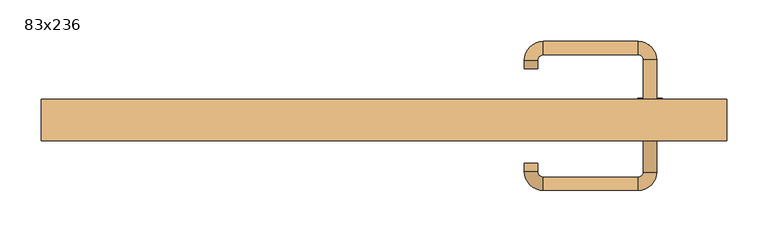
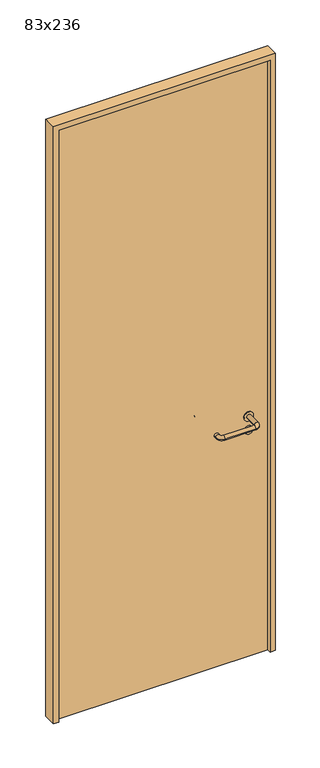
"""IFC4 building model written with IfcOpenShell, lengths in millimetres: door geometry, 83x236."""

from ifc_helpers import new_model, si_unit, point, frame, frame_2d, origin, origin_with_axes, place, context, project, spatial, polyline, circle_curve, ellipse_curve, trimmed, segment, composite_curve, outline, extrude, source, transform, mapped, element, save
from ifc_brep_helpers import plane_surface, cylinder_surface, revolved_surface, advanced_brep


def door_83x236_95d677b7(model_context):
    return source(origin(), model_context, "Body", "SolidModel", [
        extrude(outline(composite_curve([segment(trimmed(circle_curve(frame_2d((897.3605726, 322.0)), 15.0), [point((897.3605726, 337.0))], [point((897.3605726, 307.0))], False, "CARTESIAN"), True, "CONTINUOUS"), segment(trimmed(circle_curve(frame_2d((897.3605726, 322.0)), 15.0), [point((897.3605726, 307.0))], [point((897.3605726, 337.0))], False, "CARTESIAN"), True, "CONTINUOUS")], self_intersect=False), holes=[composite_curve([segment(trimmed(circle_curve(frame_2d((892.5833211, 321.9398032)), 2.0), [point((892.5833211, 323.9398032))], [point((892.5833211, 319.9398032))], True, "CARTESIAN"), True, "CONTINUOUS"), segment(polyline([(892.5833211, 319.9398032), (902.5833211, 319.9398032)]), True, "CONTINUOUS"), segment(trimmed(circle_curve(frame_2d((902.5833211, 321.9398032)), 2.0), [point((902.5833211, 319.9398032))], [point((902.5833211, 323.9398032))], True, "CARTESIAN"), True, "CONTINUOUS"), segment(polyline([(902.5833211, 323.9398032), (892.5833211, 323.9398032)]), True, "CONTINUOUS")], self_intersect=False)]), frame((0.0, 8.65, 0.0), z_axis=(0.0, 1.0, 0.0), x_axis=(0.0, 0.0, 1.0)), (0.0, 0.0, 1.0), 6.35),
        extrude(outline(composite_curve([segment(trimmed(circle_curve(frame_2d((950.0, 322.0)), 17.526), [point((950.0, 339.526))], [point((950.0, 304.474))], False, "CARTESIAN"), True, "CONTINUOUS"), segment(trimmed(circle_curve(frame_2d((950.0, 322.0)), 17.526), [point((950.0, 304.474))], [point((950.0, 339.526))], False, "CARTESIAN"), True, "CONTINUOUS")], self_intersect=False)), frame((0.0, 11.825, 0.0), z_axis=(0.0, 1.0, 0.0), x_axis=(0.0, 0.0, 1.0)), (0.0, 0.0, 1.0), 3.175),
        advanced_brep(
        [(330.0, 15.0, 950.0), (314.0, 15.0, 950.0), (314.0, -38.0, 950.0), (330.0, -38.0, 950.0), (307.8578644, -44.1421356, 950.0), (307.8578644, -60.1421356, 950.0), (192.8578644, -44.1421356, 950.0), (192.8578644, -60.1421356, 950.0), (186.008622, -37.2928932, 950.0), (170.008622, -37.2928932, 950.0), (170.008622, -27.2928932, 950.0), (186.008622, -27.2928932, 950.0)],
        [
            (0, 1, circle_curve(frame((322.0, 15.0, 950.0), z_axis=(0.0, 1.0, 0.0), x_axis=(-1.0, 0.0, 0.0)), 8.0)),
            (1, 0, circle_curve(frame((322.0, 15.0, 950.0), z_axis=(0.0, 1.0, 0.0), x_axis=(-1.0, 0.0, 0.0)), 8.0)),
            (1, 2),
            (2, 3, circle_curve(frame((322.0, -38.0, 950.0), z_axis=(0.0, 1.0, 0.0), x_axis=(-1.0, 0.0, 0.0)), 8.0)),
            (3, 0),
            (3, 2, circle_curve(frame((322.0, -38.0, 950.0), z_axis=(0.0, 1.0, 0.0), x_axis=(-1.0, 0.0, 0.0)), 8.0)),
            (4, 5, circle_curve(frame((307.8578644, -52.1421356, 950.0), z_axis=(1.0, 0.0, 0.0), x_axis=(0.0, 1.0, 0.0)), 8.0)),
            (5, 3, circle_curve(frame((307.8578644, -38.0, 950.0), z_axis=(0.0, 0.0, 1.0), x_axis=(1.0, 0.0, 0.0)), 22.1421356)),
            (2, 4, circle_curve(frame((307.8578644, -38.0, 950.0), z_axis=(0.0, 0.0, -1.0), x_axis=(1.0, 0.0, 0.0)), 6.1421356)),
            (5, 4, circle_curve(frame((307.8578644, -52.1421356, 950.0), z_axis=(1.0, 0.0, 0.0), x_axis=(0.0, 1.0, 0.0)), 8.0)),
            (4, 6),
            (6, 7, circle_curve(frame((192.8578644, -52.1421356, 950.0), z_axis=(1.0, 0.0, 0.0), x_axis=(0.0, 1.0, 0.0)), 8.0)),
            (7, 5),
            (7, 6, circle_curve(frame((192.8578644, -52.1421356, 950.0), z_axis=(1.0, 0.0, 0.0), x_axis=(0.0, 1.0, 0.0)), 8.0)),
            (8, 9, circle_curve(frame((178.008622, -37.2928932, 950.0), z_axis=(0.0, -1.0, 0.0), x_axis=(1.0, 0.0, 0.0)), 8.0)),
            (9, 7, circle_curve(frame((192.8578644, -37.2928932, 950.0), z_axis=(0.0, 0.0, 1.0), x_axis=(0.0, -1.0, 0.0)), 22.8492424)),
            (6, 8, circle_curve(frame((192.8578644, -37.2928932, 950.0), z_axis=(0.0, 0.0, -1.0), x_axis=(0.0, -1.0, 0.0)), 6.8492424)),
            (9, 8, circle_curve(frame((178.008622, -37.2928932, 950.0), z_axis=(0.0, -1.0, 0.0), x_axis=(1.0, 0.0, 0.0)), 8.0)),
            (10, 11, circle_curve(frame((178.008622, -27.2928932, 950.0), z_axis=(0.0, 1.0, 0.0), x_axis=(1.0, 0.0, 0.0)), 8.0)),
            (11, 10, circle_curve(frame((178.008622, -27.2928932, 950.0), z_axis=(0.0, 1.0, 0.0), x_axis=(1.0, 0.0, 0.0)), 8.0)),
            (8, 11),
            (10, 9),
        ],
        [
            plane_surface(frame((322.0, 15.0, 0.0), z_axis=(0.0, 1.0, 0.0), x_axis=(0.0, 0.0, 1.0))),
            cylinder_surface(frame((322.0, 15.0, 950.0), z_axis=(0.0, 1.0, 0.0), x_axis=(-1.0, 0.0, 0.0)), 8.0),
            revolved_surface(trimmed(ellipse_curve(frame((322.0, -38.0, 950.0), z_axis=(0.0, -1.0, 0.0), x_axis=(-1.0, 0.0, 0.0)), 8.0, 8.0), [point((330.0, -38.0, 950.0))], [point((314.0, -38.0, 950.0))], True, "CARTESIAN"), (307.8578644, -38.0, 0.0), (0.0, 0.0, 1.0)),
            revolved_surface(trimmed(ellipse_curve(frame((322.0, -38.0, 950.0), z_axis=(0.0, -1.0, 0.0), x_axis=(-1.0, 0.0, 0.0)), 8.0, 8.0), [point((314.0, -38.0, 950.0))], [point((330.0, -38.0, 950.0))], True, "CARTESIAN"), (307.8578644, -38.0, 0.0), (0.0, 0.0, 1.0)),
            cylinder_surface(frame((307.8578644, -52.1421356, 950.0), z_axis=(1.0, 0.0, 0.0), x_axis=(0.0, 1.0, 0.0)), 8.0),
            revolved_surface(trimmed(ellipse_curve(frame((192.8578644, -52.1421356, 950.0), z_axis=(-1.0, 0.0, 0.0), x_axis=(0.0, 1.0, 0.0)), 8.0, 8.0), [point((192.8578644, -60.1421356, 950.0))], [point((192.8578644, -44.1421356, 950.0))], True, "CARTESIAN"), (192.8578644, -37.2928932, 0.0), (0.0, 0.0, 1.0)),
            revolved_surface(trimmed(ellipse_curve(frame((192.8578644, -52.1421356, 950.0), z_axis=(-1.0, 0.0, 0.0), x_axis=(0.0, 1.0, 0.0)), 8.0, 8.0), [point((192.8578644, -44.1421356, 950.0))], [point((192.8578644, -60.1421356, 950.0))], True, "CARTESIAN"), (192.8578644, -37.2928932, 0.0), (0.0, 0.0, 1.0)),
            plane_surface(frame((178.008622, -27.2928932, 0.0), z_axis=(0.0, 1.0, 0.0), x_axis=(0.0, 0.0, 1.0))),
            cylinder_surface(frame((178.008622, -37.2928932, 950.0), z_axis=(0.0, -1.0, 0.0), x_axis=(1.0, 0.0, 0.0)), 8.0),
        ],
        [
            (0, [[1, 2]]),
            (1, [[3, 4, 5, -2]]),
            (1, [[-5, 6, -3, -1]]),
            (2, [[7, 8, -4, 9]]),
            (3, [[10, -9, -6, -8]]),
            (4, [[11, 12, 13, -7]]),
            (4, [[-13, 14, -11, -10]]),
            (5, [[15, 16, -12, 17]]),
            (6, [[18, -17, -14, -16]]),
            (7, [[19, 20]]),
            (8, [[21, -19, 22, -15]]),
            (8, [[-22, -20, -21, -18]]),
        ],
    ),
        extrude(outline(composite_curve([segment(trimmed(circle_curve(frame_2d((0.0, -15.0)), 15.0), [point((0.0, -30.0))], [point((0.0, 0.0))], False, "CARTESIAN"), True, "CONTINUOUS"), segment(trimmed(circle_curve(frame_2d((0.0, -15.0)), 15.0), [point((0.0, 0.0))], [point((0.0, -30.0))], False, "CARTESIAN"), True, "CONTINUOUS")], self_intersect=False), holes=[composite_curve([segment(trimmed(circle_curve(frame_2d((4.7772515, -14.9398032)), 2.0), [point((4.7772515, -16.9398032))], [point((4.7772515, -12.9398032))], True, "CARTESIAN"), True, "CONTINUOUS"), segment(polyline([(4.7772515, -12.9398032), (-5.2227485, -12.9398032)]), True, "CONTINUOUS"), segment(trimmed(circle_curve(frame_2d((-5.2227485, -14.9398032)), 2.0), [point((-5.2227485, -12.9398032))], [point((-5.2227485, -16.9398032))], True, "CARTESIAN"), True, "CONTINUOUS"), segment(polyline([(-5.2227485, -16.9398032), (4.7772515, -16.9398032)]), True, "CONTINUOUS")], self_intersect=False)]), frame((307.0, 45.0, 897.3605726), z_axis=(1.8870575173328306e-12, 1.0, 0.0), x_axis=(0.0, 0.0, -1.0)), (0.0, 0.0, 1.0), 6.35),
        extrude(outline(composite_curve([segment(trimmed(circle_curve(frame_2d((0.0, -17.526)), 17.526), [point((0.0, -35.052))], [point((0.0, 0.0))], False, "CARTESIAN"), True, "CONTINUOUS"), segment(trimmed(circle_curve(frame_2d((0.0, -17.526)), 17.526), [point((0.0, 0.0))], [point((0.0, -35.052))], False, "CARTESIAN"), True, "CONTINUOUS")], self_intersect=False)), frame((304.474, 45.0, 950.0), z_axis=(1.8870575173328306e-12, 1.0, 0.0), x_axis=(0.0, 0.0, -1.0)), (0.0, 0.0, 1.0), 3.175),
        advanced_brep(
        [(330.0, 45.0, 950.0), (314.0, 45.0, 950.0), (330.0, 98.0, 950.0), (314.0, 98.0, 950.0), (307.8578644, 104.1421356, 950.0), (307.8578644, 120.1421356, 950.0), (192.8578644, 120.1421356, 950.0), (192.8578644, 104.1421356, 950.0), (186.008622, 97.2928932, 950.0), (170.008622, 97.2928932, 950.0), (170.008622, 87.2928932, 950.0), (186.008622, 87.2928932, 950.0)],
        [
            (0, 1, circle_curve(frame((322.0, 45.0, 950.0), z_axis=(-1.888672253512351e-12, -1.0, 0.0), x_axis=(-1.0, 1.888672253512351e-12, 0.0)), 8.0)),
            (1, 0, circle_curve(frame((322.0, 45.0, 950.0), z_axis=(-1.888672253512351e-12, -1.0, 0.0), x_axis=(-1.0, 1.888672253512351e-12, 0.0)), 8.0)),
            (0, 2),
            (2, 3, circle_curve(frame((322.0, 98.0, 950.0), z_axis=(-1.888672253512351e-12, -1.0, 0.0), x_axis=(-1.0, 1.888672253512351e-12, 0.0)), 8.0)),
            (3, 1),
            (3, 2, circle_curve(frame((322.0, 98.0, 950.0), z_axis=(-1.888672253512351e-12, -1.0, 0.0), x_axis=(-1.0, 1.888672253512351e-12, 0.0)), 8.0)),
            (4, 3, circle_curve(frame((307.8578644, 98.0, 950.0), z_axis=(0.0, 0.0, -1.0), x_axis=(1.0, -1.880717803715015e-12, 0.0)), 6.1421356)),
            (2, 5, circle_curve(frame((307.8578644, 98.0, 950.0), z_axis=(0.0, 0.0, 1.0), x_axis=(1.0, -1.880717803715015e-12, 0.0)), 22.1421356)),
            (5, 4, circle_curve(frame((307.8578644, 112.1421356, 950.0), z_axis=(1.0, -1.913702061528922e-12, 0.0), x_axis=(-1.913702061528922e-12, -1.0, 0.0)), 8.0)),
            (4, 5, circle_curve(frame((307.8578644, 112.1421356, 950.0), z_axis=(1.0, -1.913702061528922e-12, 0.0), x_axis=(-1.913702061528922e-12, -1.0, 0.0)), 8.0)),
            (5, 6),
            (6, 7, circle_curve(frame((192.8578644, 112.1421356, 950.0), z_axis=(1.0, -1.913719828541269e-12, 0.0), x_axis=(-1.913719828541269e-12, -1.0, 0.0)), 8.0)),
            (7, 4),
            (7, 6, circle_curve(frame((192.8578644, 112.1421356, 950.0), z_axis=(1.0, -1.913719828541269e-12, 0.0), x_axis=(-1.913719828541269e-12, -1.0, 0.0)), 8.0)),
            (8, 7, circle_curve(frame((192.8578644, 97.2928932, 950.0), z_axis=(0.0, 0.0, -1.0), x_axis=(1.9120873253494017e-12, 1.0, 0.0)), 6.8492424)),
            (6, 9, circle_curve(frame((192.8578644, 97.2928932, 950.0), z_axis=(0.0, 0.0, 1.0), x_axis=(1.9120873253494017e-12, 1.0, 0.0)), 22.8492424)),
            (9, 8, circle_curve(frame((178.008622, 97.2928932, 950.0), z_axis=(1.890448610351751e-12, 1.0, 0.0), x_axis=(1.0, -1.890448610351751e-12, 0.0)), 8.0)),
            (8, 9, circle_curve(frame((178.008622, 97.2928932, 950.0), z_axis=(1.8888942981172756e-12, 1.0, 0.0), x_axis=(1.0, -1.8888942981172756e-12, 0.0)), 8.0)),
            (10, 11, circle_curve(frame((178.008622, 87.2928932, 950.0), z_axis=(-1.8903642334018795e-12, -1.0, 0.0), x_axis=(1.0, -1.8903642334018795e-12, 0.0)), 8.0)),
            (11, 10, circle_curve(frame((178.008622, 87.2928932, 950.0), z_axis=(-1.8903642334018795e-12, -1.0, 0.0), x_axis=(1.0, -1.8903642334018795e-12, 0.0)), 8.0)),
            (9, 10),
            (11, 8),
        ],
        [
            plane_surface(frame((322.0, 45.0, 0.0), z_axis=(-1.8870575173328306e-12, -1.0, 0.0), x_axis=(0.0, 0.0, 1.0))),
            cylinder_surface(frame((322.0, 45.0, 950.0), z_axis=(-1.888672253512351e-12, -1.0, 0.0), x_axis=(-1.0, 1.888672253512351e-12, 0.0)), 8.0),
            revolved_surface(trimmed(ellipse_curve(frame((322.0, 98.0, 950.0), z_axis=(-1.8823325398945356e-12, -1.0, 0.0), x_axis=(-1.0, 1.8823325398945356e-12, 0.0)), 8.0, 8.0), [point((330.0, 98.0, 950.0))], [point((314.0, 98.0, 950.0))], True, "CARTESIAN"), (307.8578644, 98.0, 0.0), (0.0, 0.0, 1.0)),
            revolved_surface(trimmed(ellipse_curve(frame((322.0, 98.0, 950.0), z_axis=(-1.8823325398945356e-12, -1.0, 0.0), x_axis=(-1.0, 1.8823325398945356e-12, 0.0)), 8.0, 8.0), [point((314.0, 98.0, 950.0))], [point((330.0, 98.0, 950.0))], True, "CARTESIAN"), (307.8578644, 98.0, 0.0), (0.0, 0.0, 1.0)),
            cylinder_surface(frame((307.8578644, 112.1421356, 950.0), z_axis=(1.0, -1.913719828541269e-12, 0.0), x_axis=(-1.913719828541269e-12, -1.0, 0.0)), 8.0),
            revolved_surface(trimmed(ellipse_curve(frame((192.8578644, 112.1421356, 950.0), z_axis=(1.0, -1.913702061528922e-12, 0.0), x_axis=(-1.913702061528922e-12, -1.0, 0.0)), 8.0, 8.0), [point((192.8578644, 120.1421356, 950.0))], [point((192.8578644, 104.1421356, 950.0))], True, "CARTESIAN"), (192.8578644, 97.2928932, 0.0), (0.0, 0.0, 1.0)),
            revolved_surface(trimmed(ellipse_curve(frame((192.8578644, 112.1421356, 950.0), z_axis=(1.0, -1.913702061528922e-12, 0.0), x_axis=(-1.913702061528922e-12, -1.0, 0.0)), 8.0, 8.0), [point((192.8578644, 104.1421356, 950.0))], [point((192.8578644, 120.1421356, 950.0))], True, "CARTESIAN"), (192.8578644, 97.2928932, 0.0), (0.0, 0.0, 1.0)),
            plane_surface(frame((178.008622, 87.2928932, 0.0), z_axis=(-1.8887494972223595e-12, -1.0, 0.0), x_axis=(0.0, 0.0, 1.0))),
            cylinder_surface(frame((178.008622, 97.2928932, 950.0), z_axis=(1.8903642334018795e-12, 1.0, 0.0), x_axis=(1.0, -1.8903642334018795e-12, 0.0)), 8.0),
        ],
        [
            (0, [[1, 2]]),
            (1, [[-1, 3, 4, 5]]),
            (1, [[-2, -5, 6, -3]]),
            (2, [[7, -4, 8, 9]]),
            (3, [[-8, -6, -7, 10]]),
            (4, [[-9, 11, 12, 13]]),
            (4, [[-10, -13, 14, -11]]),
            (5, [[15, -12, 16, 17]]),
            (6, [[-16, -14, -15, 18]]),
            (7, [[19, 20]]),
            (8, [[-17, 21, -20, 22]]),
            (8, [[-18, -22, -19, -21]]),
        ],
    ),
        extrude(outline(polyline([(2340.0, 395.0), (0.0, 395.0), (0.0, 415.0), (2360.0, 415.0), (2360.0, -415.0), (0.0, -415.0), (0.0, -395.0), (2340.0, -395.0), (2340.0, 395.0)])), frame((0.0, 0.0, 0.0), z_axis=(0.0, 1.0, 0.0), x_axis=(0.0, 0.0, 1.0)), (0.0, 0.0, 1.0), 50.0),
        extrude(outline(polyline([(-395.0, 45.0), (395.0, 45.0), (395.0, 15.0), (-395.0, 15.0), (-395.0, 45.0)])), origin_with_axes(), (0.0, 0.0, 1.0), 2340.0),
    ])


if __name__ == "__main__":
    model = new_model("IFC4")
    model_context = context("Model", 3, world=origin())
    ifc_project = project(units=[si_unit("LENGTHUNIT", "METRE", prefix="MILLI")], contexts=[model_context])
    site = spatial("IfcSite", under=ifc_project)
    building = spatial("IfcBuilding", under=site)
    placement = place(None, origin())
    door_83x236_shape = door_83x236_95d677b7(model_context)
    element("IfcDoor", 1, ObjectType="83x236", at=placement, inside=building, context=model_context, shape_type="MappedRepresentation", body=[
        mapped(door_83x236_shape, transform((0.0, 0.0, 0.0), x_axis=(1.0, 0.0, 0.0), y_axis=(0.0, 1.0, 0.0), z_axis=(0.0, 0.0, 1.0))),
    ])
    save(model, "model.ifc")
